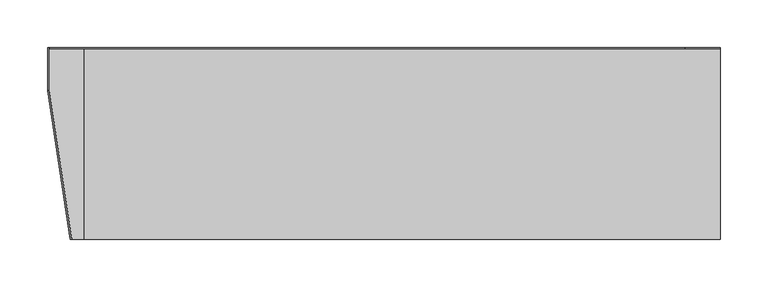
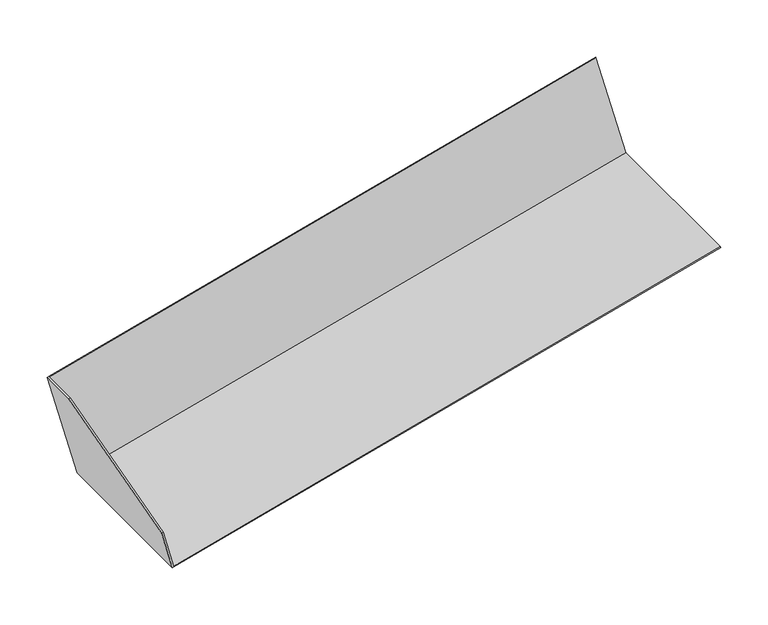
"""IFC4 building model written with IfcOpenShell, lengths in millimetres: proxy geometry."""

from ifc_helpers import new_model, si_unit, frame, origin, place, context, project, spatial, polyline, outline, extrude, source, transform, mapped, element, save


def generic_models_c221d62b(model_context):
    return source(origin(), model_context, "Body", "SweptSolid", [
        extrude(outline(polyline([(0.0, 0.0), (50.6372232, 0.0), (141.0, -155.70776), (141.0, -201.0), (0.0, -201.0), (0.0, 0.0)])), frame((-652.1762165, -278.0, 3250.912136), z_axis=(0.9659258262890685, 0.0, 0.2588190451025197), x_axis=(-0.2588190451025197, 0.0, 0.9659258262890685)), (0.0, 0.0, 1.0), 1.7645355),
        extrude(outline(polyline([(-192.5, -2.8427894), (7.5, -2.8427894), (7.5, 137.1572106), (8.5, 137.1572106), (8.5, -3.8427894), (-192.5, -3.8427894), (-192.5, -2.8427894)])), frame((-651.4663932, -85.5, 3255.0806809), z_axis=(0.9659258262890685, 0.0, 0.2588190451025197), x_axis=(0.0, 1.0, 0.0)), (0.0, 0.0, 1.0), 690.0),
    ])


if __name__ == "__main__":
    model = new_model("IFC4")
    model_context = context("Model", 3, world=origin())
    ifc_project = project(units=[si_unit("LENGTHUNIT", "METRE", prefix="MILLI")], contexts=[model_context])
    site = spatial("IfcSite", under=ifc_project)
    building = spatial("IfcBuilding", under=site)
    placement = place(None, origin())
    generic_models_shape = generic_models_c221d62b(model_context)
    element("IfcBuildingElementProxy", 1, Name="Generic Models", at=placement, inside=building, context=model_context, shape_type="MappedRepresentation", body=[
        mapped(generic_models_shape, transform((0.0, 0.0, 0.0), x_axis=(1.0, 0.0, 0.0), y_axis=(0.0, 1.0, 0.0), z_axis=(0.0, 0.0, 1.0))),
    ])
    save(model, "model.ifc")
